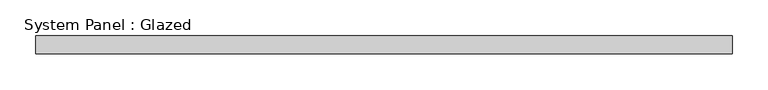
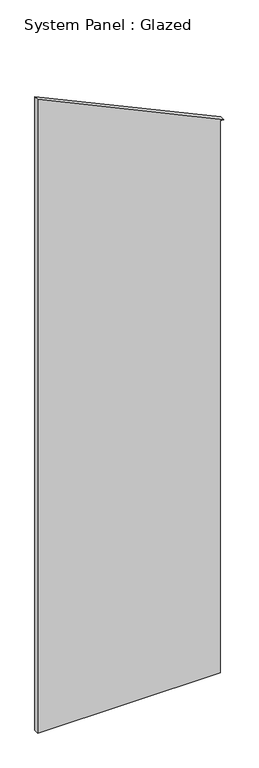
"""IFC4 building model written with IfcOpenShell, lengths in millimetres: plate geometry, System Panel : Glazed."""

from ifc_helpers import new_model, si_unit, frame, origin, place, context, project, spatial, polyline, outline, extrude, source, transform, mapped, element, save


def system_panel_glazed_bab49301(model_context):
    return source(origin(), model_context, "Body", "SweptSolid", [
        extrude(outline(polyline([(0.0, -490.475), (0.0, 471.425), (3076.8067007, 471.425), (3076.8067007, 490.475), (3534.231198, -490.475), (0.0, -490.475)])), frame((0.0, -44.45, 0.0), z_axis=(0.0, 1.0, 0.0), x_axis=(0.0, 0.0, 1.0)), (0.0, 0.0, 1.0), 25.4),
    ])


if __name__ == "__main__":
    model = new_model("IFC4")
    model_context = context("Model", 3, world=origin())
    ifc_project = project(units=[si_unit("LENGTHUNIT", "METRE", prefix="MILLI")], contexts=[model_context])
    site = spatial("IfcSite", under=ifc_project)
    building = spatial("IfcBuilding", under=site)
    placement = place(None, origin())
    system_panel_glazed_shape = system_panel_glazed_bab49301(model_context)
    element("IfcPlate", 1, ObjectType="System Panel : Glazed", at=placement, inside=building, context=model_context, shape_type="MappedRepresentation", body=[
        mapped(system_panel_glazed_shape, transform((0.0, 0.0, 0.0), x_axis=(1.0, 0.0, 0.0), y_axis=(0.0, 1.0, 0.0), z_axis=(0.0, 0.0, 1.0))),
    ])
    save(model, "model.ifc")
